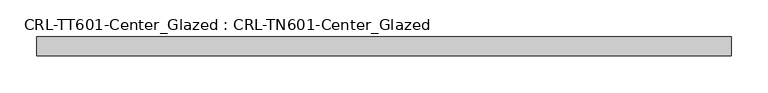
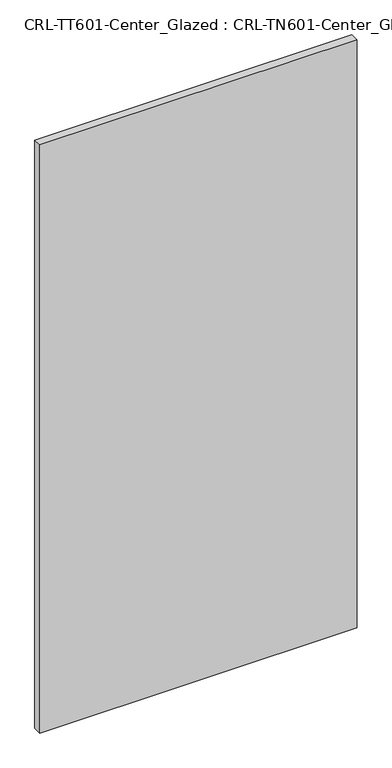
"""IFC4 building model written with IfcOpenShell, lengths in millimetres: plate geometry, CRL-TT601-Center_Glazed : CRL-TN601-Center_Glazed."""

import ifcopenshell
import ifcopenshell.guid

model = None  # the IFC model being written
_history = None  # IfcOwnerHistory: only IFC2X3 demands one
_inside = {}  # id of a spatial element -> (the spatial element, [elements in it])
_under = {}  # id of a project, library or spatial element -> (it, [spatial elements below it])
_declared = {}  # id of a project -> (the project, [libraries it declares])
_typed = {}  # id of a type object -> (the type object, [elements of that type])
_made_of = {}  # id of a material, layer set ... -> (it, [elements and type objects made of it])


def new_model(schema):
    """Start an empty IFC model of exactly this schema.

    Asked for "IFC4X3", IfcOpenShell would pick the latest addendum, in which some entities
    have other attributes; the version numbers below select the first issue.
    IFC2X3 requires an IfcOwnerHistory on every rooted entity: one is made here for all.
    """
    global model, _history
    if schema == "IFC4X3":
        model = ifcopenshell.file(schema_version=(4, 3, 0, 0))
    else:
        model = ifcopenshell.file(schema=schema)
    _inside.clear()
    _under.clear()
    _declared.clear()
    _typed.clear()
    _made_of.clear()
    _history = None
    if model.schema == "IFC2X3":
        org = make("IfcOrganization", Name="unknown")
        user = make(
            "IfcPersonAndOrganization",
            ThePerson=make("IfcPerson", FamilyName="unknown"),
            TheOrganization=org,
        )
        app = make(
            "IfcApplication",
            ApplicationDeveloper=org,
            Version="unknown",
            ApplicationFullName="unknown",
            ApplicationIdentifier="unknown",
        )
        _history = make(
            "IfcOwnerHistory",
            OwningUser=user,
            OwningApplication=app,
            ChangeAction="ADDED",
            CreationDate=0,
        )
    return model


def make(cls, **values):
    """One entity of the class cls with the attributes given. An attribute that is None is left unset."""
    return model.create_entity(
        cls, **{name: value for name, value in values.items() if value is not None}
    )


def rooted(cls, **values):
    """An entity with a GlobalId (a new one), such as an element, a storey or a relation."""
    return make(cls, GlobalId=ifcopenshell.guid.new(), OwnerHistory=_history, **values)


def si_unit(unit_type, name, prefix=None):
    """IfcSIUnit, for example si_unit("LENGTHUNIT", "METRE", prefix="MILLI")."""
    return make("IfcSIUnit", UnitType=unit_type, Prefix=prefix, Name=name)


def assignment(units):
    """IfcUnitAssignment: the units of a project."""
    return None if units is None else make("IfcUnitAssignment", Units=units)


def point(xyz):
    """IfcCartesianPoint."""
    return None if xyz is None else make("IfcCartesianPoint", Coordinates=xyz)


def direction(xyz):
    """IfcDirection."""
    return None if xyz is None else make("IfcDirection", DirectionRatios=xyz)


def frame(location, z_axis=None, x_axis=None):
    """IfcAxis2Placement3D, a coordinate frame: its origin and axes. An axis left out is left unset."""
    return make(
        "IfcAxis2Placement3D",
        Location=point(location),
        Axis=direction(z_axis),
        RefDirection=direction(x_axis),
    )


def origin():
    """The frame at (0, 0, 0) with its axes left unset."""
    return frame((0.0, 0.0, 0.0))


def origin_with_axes():
    """The frame at (0, 0, 0) with the z axis (0, 0, 1) and the x axis (1, 0, 0) written out."""
    return frame((0.0, 0.0, 0.0), z_axis=(0.0, 0.0, 1.0), x_axis=(1.0, 0.0, 0.0))


def place(relative_to, where):
    """IfcLocalPlacement: puts the frame where relative to a parent placement (None: the world)."""
    return make(
        "IfcLocalPlacement", PlacementRelTo=relative_to, RelativePlacement=where
    )


def context(
    kind, dimensions, precision=None, world=None, true_north=None, identifier=None
):
    """IfcGeometricRepresentationContext, for example the 3D "Model" context."""
    return make(
        "IfcGeometricRepresentationContext",
        ContextIdentifier=identifier,
        ContextType=kind,
        CoordinateSpaceDimension=dimensions,
        Precision=precision,
        WorldCoordinateSystem=world,
        TrueNorth=true_north,
    )


def project(units=None, contexts=None):
    """IfcProject with its units and contexts."""
    return rooted(
        "IfcProject",
        Name="project",
        RepresentationContexts=contexts,
        UnitsInContext=assignment(units),
    )


def spatial(cls, under=None, at=None, **own):
    """A site, building, storey or space (cls), placed at a placement, below another one or the project."""
    s = rooted(cls, ObjectPlacement=at, **own)
    if under is not None:
        _under.setdefault(under.id(), (under, []))[1].append(s)
    return s


def polyline(points):
    """IfcPolyline through the points."""
    return make("IfcPolyline", Points=[point(p) for p in points])


def outline(outer, holes=None, kind="AREA"):
    """IfcArbitraryClosedProfileDef: a profile drawn as a closed curve; with holes, ...WithVoids."""
    if holes is None:
        return make("IfcArbitraryClosedProfileDef", ProfileType=kind, OuterCurve=outer)
    return make(
        "IfcArbitraryProfileDefWithVoids",
        ProfileType=kind,
        OuterCurve=outer,
        InnerCurves=holes,
    )


def extrude(swept, where, along, depth):
    """IfcExtrudedAreaSolid: the profile swept, set in the frame where, extruded along a direction by depth."""
    return make(
        "IfcExtrudedAreaSolid",
        SweptArea=swept,
        Position=where,
        ExtrudedDirection=direction(along),
        Depth=depth,
    )


def shape(context_of_items, identifier, shape_type, items):
    """IfcShapeRepresentation: the items that make up one representation, for example the "Body"."""
    return make(
        "IfcShapeRepresentation",
        ContextOfItems=context_of_items,
        RepresentationIdentifier=identifier,
        RepresentationType=shape_type,
        Items=items,
    )


def source(mapping_origin, context_of_items, identifier, shape_type, items):
    """IfcRepresentationMap: a shape defined once, which mapped items show again and again."""
    return make(
        "IfcRepresentationMap",
        MappingOrigin=mapping_origin,
        MappedRepresentation=shape(context_of_items, identifier, shape_type, items),
    )


def transform(
    local_origin,
    x_axis=None,
    y_axis=None,
    z_axis=None,
    scale=None,
    scale2=None,
    scale3=None,
    uniform=True,
):
    """IfcCartesianTransformationOperator3D, or its non-uniform kind. x_axis, y_axis, z_axis: its Axis1, 2, 3."""
    if uniform:
        return make(
            "IfcCartesianTransformationOperator3D",
            Axis1=direction(x_axis),
            Axis2=direction(y_axis),
            LocalOrigin=point(local_origin),
            Scale=scale,
            Axis3=direction(z_axis),
        )
    return make(
        "IfcCartesianTransformationOperator3DnonUniform",
        Axis1=direction(x_axis),
        Axis2=direction(y_axis),
        LocalOrigin=point(local_origin),
        Scale=scale,
        Axis3=direction(z_axis),
        Scale2=scale2,
        Scale3=scale3,
    )


def mapped(mapping_source, mapping_target):
    """IfcMappedItem: shows the shape of a source again, moved by a transform."""
    return make(
        "IfcMappedItem", MappingSource=mapping_source, MappingTarget=mapping_target
    )


def made_of(thing, what):
    """Note that an element or type object is made of a material, layer set ...; save() writes the relation."""
    if what is not None:
        _made_of.setdefault(what.id(), (what, []))[1].append(thing)
    return thing


def element(
    cls,
    number,
    at=None,
    inside=None,
    cuts=None,
    type_object=None,
    material=None,
    context=None,
    identifier="Body",
    shape_type=None,
    held_by="IfcProductDefinitionShape",
    body=None,
    shapes=None,
    **own,
):
    """One element of the class cls, such as IfcWall. Its Tag is "e" and its number.

    at: its placement. inside: the storey or other place that contains it. cuts: it is an
    opening in that element (IfcRelVoidsElement). A single representation is given by context,
    identifier, shape_type and body (its items); several are given by shapes. held_by: the class
    of the entity that holds the representations. save() writes the other relations.
    """
    e = rooted(cls, Tag="e%d" % number, ObjectPlacement=at, **own)
    if body is not None:
        shapes = [shape(context, identifier, shape_type, body)]
    if shapes is not None:
        e.Representation = make(held_by, Representations=shapes)
    if inside is not None:
        _inside.setdefault(inside.id(), (inside, []))[1].append(e)
    if cuts is not None:
        rooted(
            "IfcRelVoidsElement", RelatingBuildingElement=cuts, RelatedOpeningElement=e
        )
    if type_object is not None:
        _typed.setdefault(type_object.id(), (type_object, []))[1].append(e)
    return made_of(e, material)


def aggregate(whole, parts):
    """IfcRelAggregates: a whole, such as a stair, and the parts it consists of."""
    return rooted("IfcRelAggregates", RelatingObject=whole, RelatedObjects=parts)


def save(model, path):
    """Write the relations noted so far, then the file.

    IfcRelAggregates (storeys below a building ...), IfcRelContainedInSpatialStructure (elements
    in a storey), IfcRelDefinesByType, IfcRelAssociatesMaterial and IfcRelDeclares: one each for
    every whole, place, type object, material and project.
    """
    for whole, parts in _under.values():
        aggregate(whole, parts)
    for where, things in _inside.values():
        rooted(
            "IfcRelContainedInSpatialStructure",
            RelatedElements=things,
            RelatingStructure=where,
        )
    for kind, things in _typed.values():
        rooted("IfcRelDefinesByType", RelatedObjects=things, RelatingType=kind)
    for what, things in _made_of.values():
        rooted("IfcRelAssociatesMaterial", RelatedObjects=things, RelatingMaterial=what)
    for by, libraries in _declared.values():
        rooted("IfcRelDeclares", RelatingContext=by, RelatedDefinitions=libraries)
    model.write(path)


def crl_tt601_center_glazed_crl_tn601_center_glazed_e59b3d2e(model_context):
    return source(origin(), model_context, "Body", "SweptSolid", [
        extrude(outline(polyline([(-469.903778, -12.7254), (-469.903778, 12.6746), (469.903778, 12.6746), (469.903778, -12.7254), (-469.903778, -12.7254)])), origin_with_axes(), (0.0, 0.0, 1.0), 1841.355463),
    ])


if __name__ == "__main__":
    model = new_model("IFC4")
    model_context = context("Model", 3, world=origin())
    ifc_project = project(units=[si_unit("LENGTHUNIT", "METRE", prefix="MILLI")], contexts=[model_context])
    site = spatial("IfcSite", under=ifc_project)
    building = spatial("IfcBuilding", under=site)
    placement = place(None, origin())
    crl_tt601_center_glazed_crl_tn601_center_glazed_shape = crl_tt601_center_glazed_crl_tn601_center_glazed_e59b3d2e(model_context)
    element("IfcPlate", 1, ObjectType="CRL-TT601-Center_Glazed : CRL-TN601-Center_Glazed", at=placement, inside=building, context=model_context, shape_type="MappedRepresentation", body=[
        mapped(crl_tt601_center_glazed_crl_tn601_center_glazed_shape, transform((0.0, 0.0, 0.0), x_axis=(1.0, 0.0, 0.0), y_axis=(0.0, 1.0, 0.0), z_axis=(0.0, 0.0, 1.0))),
    ])
    save(model, "model.ifc")
